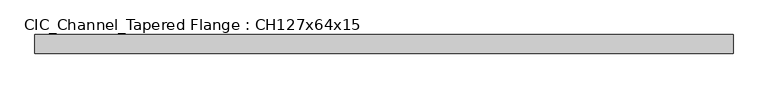
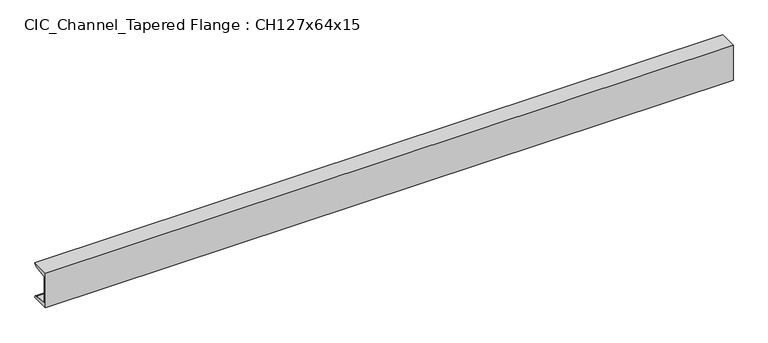
"""IFC4 building model written with IfcOpenShell, lengths in millimetres: beam geometry, CIC_Channel_Tapered Flange : CH127x64x15."""

from ifc_helpers import new_model, si_unit, point, frame, frame_2d, origin, place, context, project, spatial, polyline, circle_curve, trimmed, segment, composite_curve, outline, extrude, source, transform, mapped, element, save


def cic_channel_tapered_flange_ch127x64x15_0ffa3275(model_context):
    return source(origin(), model_context, "Body", "SweptSolid", [
        extrude(outline(composite_curve([segment(polyline([(-19.4, 63.5), (44.1, 63.5)]), True, "CONTINUOUS"), segment(trimmed(circle_curve(frame_2d((34.9, 63.5)), 9.2), [point((44.1, 63.5))], [point((34.9, 54.3))], False, "CARTESIAN"), True, "CONTINUOUS"), segment(polyline([(34.9, 54.3), (-13.0, 46.7133853), (-13.0, -46.7133853), (34.9, -54.3)]), True, "CONTINUOUS"), segment(trimmed(circle_curve(frame_2d((34.9, -63.5)), 9.2), [point((34.9, -54.3))], [point((44.1, -63.5))], False, "CARTESIAN"), True, "CONTINUOUS"), segment(polyline([(44.1, -63.5), (-19.4, -63.5), (-19.4, 63.5)]), True, "CONTINUOUS")], self_intersect=False)), frame((-1185.85, 0.0, 0.0), z_axis=(1.0, 0.0, 0.0), x_axis=(0.0, 1.0, 0.0)), (0.0, 0.0, 1.0), 2384.4),
    ])


if __name__ == "__main__":
    model = new_model("IFC4")
    model_context = context("Model", 3, world=origin())
    ifc_project = project(units=[si_unit("LENGTHUNIT", "METRE", prefix="MILLI")], contexts=[model_context])
    site = spatial("IfcSite", under=ifc_project)
    building = spatial("IfcBuilding", under=site)
    placement = place(None, origin())
    cic_channel_tapered_flange_ch127x64x15_shape = cic_channel_tapered_flange_ch127x64x15_0ffa3275(model_context)
    element("IfcBeam", 1, ObjectType="CIC_Channel_Tapered Flange : CH127x64x15", at=placement, inside=building, context=model_context, shape_type="MappedRepresentation", body=[
        mapped(cic_channel_tapered_flange_ch127x64x15_shape, transform((0.0, 0.0, 0.0), x_axis=(1.0, 0.0, 0.0), y_axis=(0.0, 1.0, 0.0), z_axis=(0.0, 0.0, 1.0))),
    ])
    save(model, "model.ifc")
